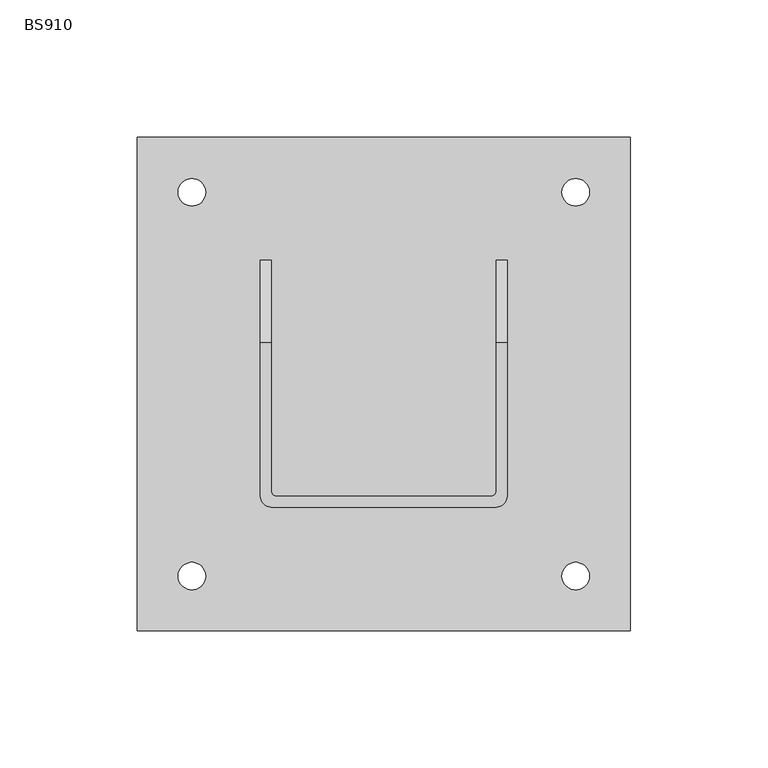
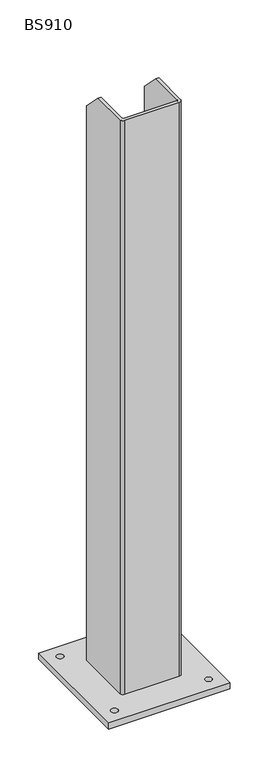
"""IFC4 building model written with IfcOpenShell, lengths in millimetres: proxy geometry, BS910."""

from ifc_helpers import new_model, si_unit, point, frame, frame_2d, origin, origin_with_axes, place, context, project, spatial, polyline, circle_curve, trimmed, segment, composite_curve, outline, extrude, source, transform, mapped, element, save
from ifc_brep_helpers import plane_surface, cylinder_surface, revolved_surface, advanced_brep


def bs910_c3204baa(model_context):
    return source(origin(), model_context, "Body", "SolidModel", [
        advanced_brep(
        [(41.0, -45.0, 910.0), (45.0, -41.0, 910.0), (45.0, 15.0, 910.0), (41.0, 15.0, 910.0), (41.0, -39.0, 910.0), (39.0, -41.0, 910.0), (-39.0, -41.0, 910.0), (-41.0, -39.0, 910.0), (-41.0, 15.0, 910.0), (-45.0, 15.0, 910.0), (-45.0, -41.0, 910.0), (-41.0, -45.0, 910.0), (41.0, -45.0, 10.0), (-41.0, -45.0, 10.0), (-45.0, -41.0, 10.0), (-45.0, 45.0, 10.0), (-41.0, 45.0, 10.0), (-41.0, -39.0, 10.0), (-39.0, -41.0, 10.0), (39.0, -41.0, 10.0), (41.0, -39.0, 10.0), (41.0, 45.0, 10.0), (45.0, 45.0, 10.0), (45.0, -41.0, 10.0), (45.0, 45.0, 880.0), (41.0, 45.0, 880.0), (-41.0, 45.0, 880.0), (-45.0, 45.0, 880.0)],
        [
            (0, 1, circle_curve(frame((41.0, -41.0, 910.0), z_axis=(0.0, 0.0, 1.0), x_axis=(-1.0, 0.0, 0.0)), 4.0)),
            (1, 2),
            (2, 3),
            (3, 4),
            (4, 5, circle_curve(frame((39.0, -39.0, 910.0), z_axis=(0.0, 0.0, -1.0), x_axis=(-1.0, 0.0, 0.0)), 2.0)),
            (5, 6),
            (6, 7, circle_curve(frame((-39.0, -39.0, 910.0), z_axis=(0.0, 0.0, -1.0), x_axis=(-1.0, 0.0, 0.0)), 2.0)),
            (7, 8),
            (8, 9),
            (9, 10),
            (10, 11, circle_curve(frame((-41.0, -41.0, 910.0), z_axis=(0.0, 0.0, 1.0), x_axis=(-1.0, 0.0, 0.0)), 4.0)),
            (11, 0),
            (12, 13),
            (13, 14, circle_curve(frame((-41.0, -41.0, 10.0), z_axis=(0.0, 0.0, -1.0), x_axis=(-1.0, 0.0, 0.0)), 4.0)),
            (14, 15),
            (15, 16),
            (16, 17),
            (17, 18, circle_curve(frame((-39.0, -39.0, 10.0), z_axis=(0.0, 0.0, 1.0), x_axis=(-1.0, 0.0, 0.0)), 2.0)),
            (18, 19),
            (19, 20, circle_curve(frame((39.0, -39.0, 10.0), z_axis=(0.0, 0.0, 1.0), x_axis=(-1.0, 0.0, 0.0)), 2.0)),
            (20, 21),
            (21, 22),
            (22, 23),
            (23, 12, circle_curve(frame((41.0, -41.0, 10.0), z_axis=(0.0, 0.0, -1.0), x_axis=(-1.0, 0.0, 0.0)), 4.0)),
            (0, 12),
            (23, 1),
            (22, 24),
            (24, 2),
            (21, 25),
            (25, 24),
            (20, 4),
            (3, 25),
            (5, 19),
            (18, 6),
            (17, 7),
            (16, 26),
            (26, 8),
            (15, 27),
            (27, 26),
            (14, 10),
            (9, 27),
            (13, 11),
        ],
        [
            plane_surface(frame((37.0, -41.0, 910.0), z_axis=(0.0, 0.0, 1.0), x_axis=(0.0, -1.0, 0.0))),
            plane_surface(frame((37.0, -41.0, 10.0), z_axis=(0.0, 0.0, -1.0), x_axis=(0.0, 1.0, 0.0))),
            cylinder_surface(frame((41.0, -41.0, 10.0), z_axis=(0.0, 0.0, 1.0), x_axis=(-1.0, 0.0, 0.0)), 4.0),
            plane_surface(frame((45.0, -41.0, 910.0), z_axis=(1.0, 0.0, 0.0), x_axis=(0.0, 0.0, -1.0))),
            plane_surface(frame((45.0, 45.0, 910.0), z_axis=(0.0, 1.0, 0.0), x_axis=(0.0, 0.0, -1.0))),
            plane_surface(frame((41.0, 45.0, 910.0), z_axis=(-1.0, 0.0, 0.0), x_axis=(0.0, 0.0, -1.0))),
            plane_surface(frame((39.0, -41.0, 910.0), z_axis=(0.0, 1.0, 0.0), x_axis=(0.0, 0.0, -1.0))),
            revolved_surface(polyline([(-41.0, -39.0, 10.0), (-41.0, -39.0, 910.0)]), (-39.0, -39.0, 10.0), (0.0, 0.0, -1.0)),
            plane_surface(frame((-41.0, -39.0, 910.0), z_axis=(1.0, 0.0, 0.0), x_axis=(0.0, 0.0, -1.0))),
            plane_surface(frame((-41.0, 45.0, 910.0), z_axis=(0.0, 1.0, 0.0), x_axis=(0.0, 0.0, -1.0))),
            plane_surface(frame((-45.0, 45.0, 910.0), z_axis=(-1.0, 0.0, 0.0), x_axis=(0.0, 0.0, -1.0))),
            cylinder_surface(frame((-41.0, -41.0, 10.0), z_axis=(0.0, 0.0, 1.0), x_axis=(-1.0, 0.0, 0.0)), 4.0),
            plane_surface(frame((-41.0, -45.0, 910.0), z_axis=(0.0, -1.0, 0.0), x_axis=(0.0, 0.0, -1.0))),
            plane_surface(frame((45.0, 15.0, 910.0), z_axis=(0.0, 0.7071067811865482, 0.7071067811865469), x_axis=(-1.0, 0.0, 0.0))),
            plane_surface(frame((-41.0, 15.0, 910.0), z_axis=(0.0, 0.7071067811865539, 0.7071067811865411), x_axis=(-1.0, 0.0, 0.0))),
            revolved_surface(polyline([(37.0, -39.0, 10.0), (37.0, -39.0, 910.0)]), (39.0, -39.0, 10.0), (0.0, 0.0, -1.0)),
        ],
        [
            (0, [[1, 2, 3, 4, 5, 6, 7, 8, 9, 10, 11, 12]]),
            (1, [[13, 14, 15, 16, 17, 18, 19, 20, 21, 22, 23, 24]]),
            (2, [[-1, 25, -24, 26]]),
            (3, [[-23, 27, 28, -2, -26]]),
            (4, [[-22, 29, 30, -27]]),
            (5, [[-21, 31, -4, 32, -29]]),
            (6, [[-6, 33, -19, 34]]),
            (7, [[-7, -34, -18, 35]]),
            (8, [[-17, 36, 37, -8, -35]]),
            (9, [[-16, 38, 39, -36]]),
            (10, [[-15, 40, -10, 41, -38]]),
            (11, [[-11, -40, -14, 42]]),
            (12, [[-12, -42, -13, -25]]),
            (13, [[-3, -28, -30, -32]]),
            (14, [[-9, -37, -39, -41]]),
            (15, [[-5, -31, -20, -33]]),
        ],
    ),
        extrude(outline(polyline([(90.0, 90.0), (90.0, -90.0), (-90.0, -90.0), (-90.0, 90.0), (90.0, 90.0)]), holes=[composite_curve([segment(trimmed(circle_curve(frame_2d((-70.0, 70.0)), 5.0), [point((-75.0, 70.0))], [point((-65.0, 70.0))], True, "CARTESIAN"), True, "CONTINUOUS"), segment(trimmed(circle_curve(frame_2d((-70.0, 70.0)), 5.0), [point((-65.0, 70.0))], [point((-75.0, 70.0))], True, "CARTESIAN"), True, "CONTINUOUS")], self_intersect=False), composite_curve([segment(trimmed(circle_curve(frame_2d((70.0, 70.0)), 5.0), [point((65.0, 70.0))], [point((75.0, 70.0))], True, "CARTESIAN"), True, "CONTINUOUS"), segment(trimmed(circle_curve(frame_2d((70.0, 70.0)), 5.0), [point((75.0, 70.0))], [point((65.0, 70.0))], True, "CARTESIAN"), True, "CONTINUOUS")], self_intersect=False), composite_curve([segment(trimmed(circle_curve(frame_2d((-70.0, -70.0)), 5.0), [point((-75.0, -70.0))], [point((-65.0, -70.0))], True, "CARTESIAN"), True, "CONTINUOUS"), segment(trimmed(circle_curve(frame_2d((-70.0, -70.0)), 5.0), [point((-65.0, -70.0))], [point((-75.0, -70.0))], True, "CARTESIAN"), True, "CONTINUOUS")], self_intersect=False), composite_curve([segment(trimmed(circle_curve(frame_2d((70.0, -70.0)), 5.0), [point((65.0, -70.0))], [point((75.0, -70.0))], True, "CARTESIAN"), True, "CONTINUOUS"), segment(trimmed(circle_curve(frame_2d((70.0, -70.0)), 5.0), [point((75.0, -70.0))], [point((65.0, -70.0))], True, "CARTESIAN"), True, "CONTINUOUS")], self_intersect=False)]), origin_with_axes(), (0.0, 0.0, 1.0), 10.0),
    ])


if __name__ == "__main__":
    model = new_model("IFC4")
    model_context = context("Model", 3, world=origin())
    ifc_project = project(units=[si_unit("LENGTHUNIT", "METRE", prefix="MILLI")], contexts=[model_context])
    site = spatial("IfcSite", under=ifc_project)
    building = spatial("IfcBuilding", under=site)
    placement = place(None, origin())
    bs910_shape = bs910_c3204baa(model_context)
    element("IfcBuildingElementProxy", 1, Name="BS910", ObjectType="BS910", at=placement, inside=building, context=model_context, shape_type="MappedRepresentation", body=[
        mapped(bs910_shape, transform((0.0, 0.0, 0.0), x_axis=(1.0, 0.0, 0.0), y_axis=(0.0, 1.0, 0.0), z_axis=(0.0, 0.0, 1.0))),
    ])
    save(model, "model.ifc")
